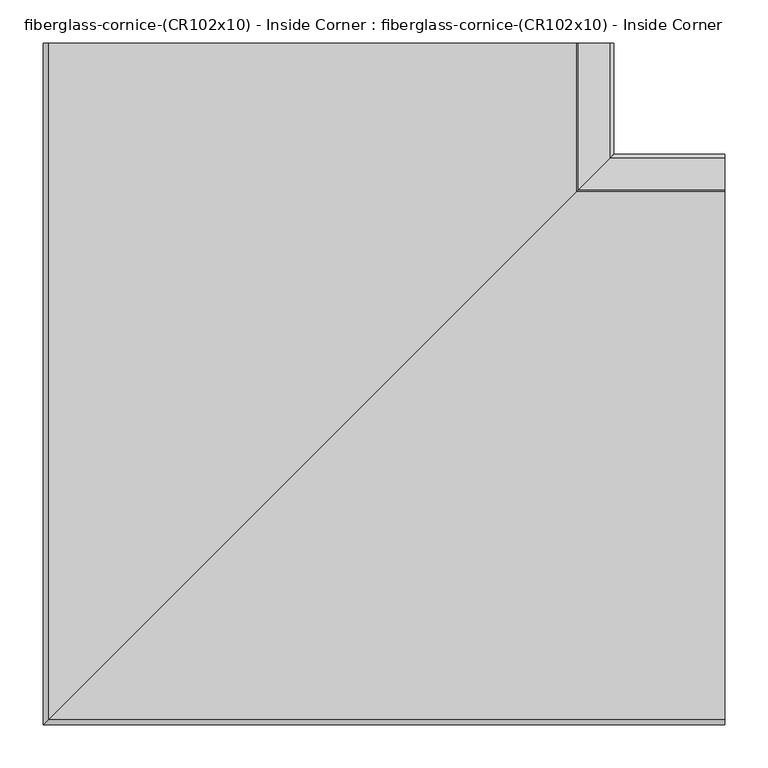
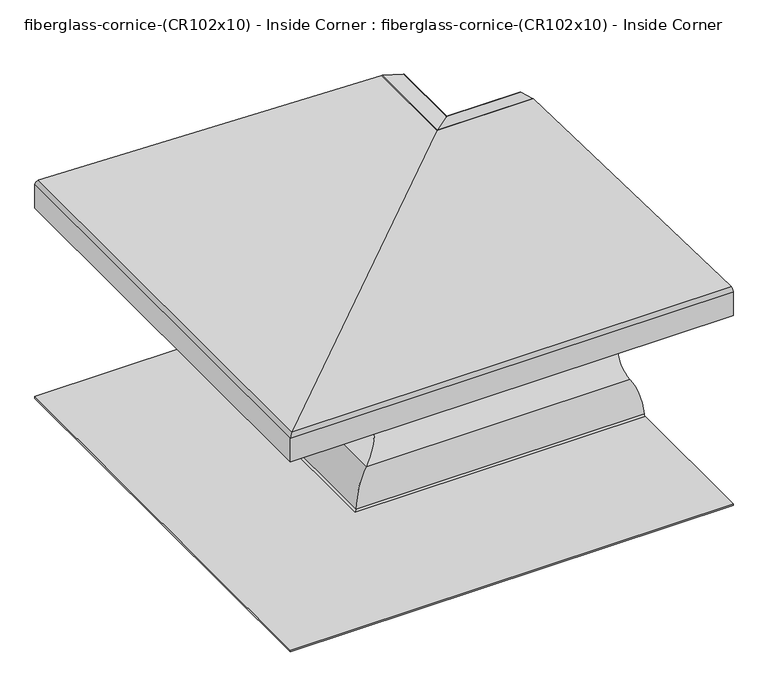
"""IFC4 building model written with IfcOpenShell, lengths in millimetres: furniture geometry, fiberglass-cornice-(CR102x10) - Inside Corner : fiberglass-cornice-(CR102x10) - Inside Corner."""

from ifc_helpers import new_model, si_unit, frame, origin, place, context, project, spatial, polyline, circle_curve, ellipse_curve, source, transform, mapped, element, save
from ifc_brep_helpers import plane_surface, cylinder_surface, revolved_surface, advanced_brep


def fiberglass_cornice_cr102x10_inside_corner_fiberglass_cornice_74b968c4(model_context):
    return source(origin(), model_context, "Body", "AdvancedBrep", [
        advanced_brep(
        [(-387.3504609, 888.603125, 330.1999904), (222.4086621, 888.603125, 313.5475713), (223.9856287, 888.603125, 313.3039444), (261.1174535, 888.603125, 302.6565623), (265.5980708, 888.603125, 295.3584359), (187.5713137, 888.603125, 217.5386974), (183.3264787, 888.603125, 207.9971322), (173.9511639, 888.603125, 183.8308465), (169.3791639, 888.603125, 177.7348465), (169.3791249, 888.603125, 172.2697206), (164.8071639, 888.603125, 166.1959893), (153.0505925, 888.603125, 150.5205608), (153.0505517, 888.603125, 26.2647651), (146.7005925, 888.603125, 19.8919893), (125.8363068, 888.603125, 19.8919895), (119.7403068, 888.603125, 24.4639893), (104.0648782, 888.603125, 36.2205608), (-20.2137134, 888.603125, 36.2205628), (-26.5636346, 888.603125, 29.8432847), (-26.5636346, 888.603125, 9.2312294), (-30.860515, 888.603125, 3.2223246), (-35.0995386, 888.603125, -1.9317744), (-75.5494075, 888.603125, -37.2580107), (-115.9992764, 888.603125, -72.5842469), (-122.2914782, 888.603125, -78.0794392), (-393.6999938, 888.603125, -78.0794391), (-393.6999938, 888.603125, -74.586939), (-122.2914782, 888.603125, -74.586939), (-119.4599874, 888.603125, -72.1141027), (-75.5494075, 888.603125, -33.7655107), (-38.5602496, 888.603125, -1.4616302), (-31.989763, 888.603125, 6.5272232), (-30.0562284, 888.603125, 9.2170513), (-30.0562284, 888.603125, 29.8705596), (-20.2183813, 888.603125, 39.7130597), (104.0582255, 888.603125, 39.7130597), (123.0931068, 888.603125, 25.4418893), (125.8363068, 888.603125, 23.3844893), (146.7006304, 888.603125, 23.3844864), (149.5580771, 888.603125, 26.2326075), (149.5580771, 888.603125, 150.5205679), (163.8292639, 888.603125, 169.5487893), (165.8866503, 888.603125, 172.2831722), (165.8866503, 888.603125, 177.7348417), (172.9732639, 888.603125, 187.1836465), (180.3433031, 888.603125, 206.1810322), (186.9227972, 888.603125, 220.9704583), (262.168045, 888.603125, 296.0160672), (260.1396506, 888.603125, 299.3036814), (222.8684523, 888.603125, 309.9910516), (-387.3305565, 888.603125, 326.7211389), (-390.2074001, 888.603125, 323.8703182), (-390.2074001, 888.603125, 279.4641155), (-393.6997554, 888.603125, 279.4641155), (-393.6997554, 888.603125, 323.8166176), (393.6999938, 107.5526579, 330.1999904), (393.6999938, 101.2033634, 323.8166176), (393.6999938, 101.2033634, 279.4641155), (393.6999938, 104.6957188, 279.4641155), (393.6999938, 104.6957188, 323.8703182), (393.6999938, 107.5725623, 326.7211389), (393.6999938, 717.7715712, 309.9910516), (393.6999938, 755.0427695, 299.3036814), (393.6999938, 757.0711638, 296.0160672), (393.6999938, 681.8259161, 220.9704583), (393.6999938, 675.2464219, 206.1810322), (393.6999938, 667.8763828, 187.1836465), (393.6999938, 660.7897828, 177.7348465), (393.6999938, 660.7897692, 172.2831722), (393.6999938, 658.7323828, 169.5487893), (393.6999938, 644.4612113, 150.5205608), (393.6999938, 644.4611959, 26.2326075), (393.6999938, 641.6037113, 23.3844893), (393.6999938, 620.7393818, 23.3844864), (393.6999938, 617.9962256, 25.4418893), (393.6999938, 598.9613443, 39.7130597), (393.6999938, 474.6847376, 39.7130597), (393.6999938, 464.8469256, 29.8705608), (393.6999938, 464.8468904, 9.2170513), (393.6999938, 462.9133558, 6.5272232), (393.6999938, 456.3428692, -1.4616302), (393.6999938, 419.3537113, -33.7655107), (393.6999938, 375.4431315, -72.1141027), (393.6999938, 372.6116406, -74.5869392), (393.6999938, 101.203125, -74.586939), (393.6999938, 101.203125, -78.0794391), (393.6999938, 372.6116406, -78.0794391), (393.6999938, 378.9038425, -72.5842469), (393.6999938, 419.3537113, -37.2580107), (393.6999938, 459.8035802, -1.9317744), (393.6999938, 464.0426038, 3.2223246), (393.6999938, 468.3394256, 9.2312312), (393.6999938, 468.3394842, 29.8432847), (393.6999938, 474.6894256, 36.2205608), (393.6999938, 598.9679508, 36.2205628), (393.6999938, 614.6434256, 24.4639893), (393.6999938, 620.7394256, 19.8919893), (393.6999938, 641.6037113, 19.8919895), (393.6999938, 647.9536705, 26.2647651), (393.6999938, 647.9536705, 150.5205679), (393.6999938, 659.7102828, 166.1959893), (393.6999938, 664.2822437, 172.2697206), (393.6999938, 664.2822437, 177.7348417), (393.6999938, 668.8542828, 183.8308465), (393.6999938, 678.2295976, 207.9971322), (393.6999938, 682.4744325, 217.5386974), (393.6999938, 760.5011897, 295.3584359), (393.6999938, 756.0205724, 302.6565623), (393.6999938, 718.8888006, 313.3039373), (393.6999938, 717.3118033, 313.547566), (-387.3504609, 107.5526579, 330.1999904), (222.4086621, 717.3117809, 313.5475713), (223.9856287, 718.8887475, 313.3039444), (261.1174535, 756.0205724, 302.6565623), (265.5980708, 760.5011897, 295.3584359), (187.5713137, 682.4744325, 217.5386974), (183.3264787, 678.2295976, 207.9971322), (173.9511639, 668.8542828, 183.8308465), (169.3791639, 664.2822828, 177.7348465), (169.3791249, 664.2822437, 172.2697206), (164.8071639, 659.7102828, 166.1959893), (153.0505925, 647.9537113, 150.5205608), (153.0505517, 647.9536705, 26.2647651), (146.7005925, 641.6037113, 19.8919893), (125.8363068, 620.7394256, 19.8919895), (119.7403068, 614.6434256, 24.4639893), (104.0648782, 598.9679971, 36.2205608), (-20.2136932, 474.6894256, 36.2205628), (-26.5636346, 468.3394842, 29.8432847), (-26.5636346, 468.3394842, 9.2312294), (-30.860515, 464.0426038, 3.2223246), (-35.0995386, 459.8035802, -1.9317744), (-75.5494075, 419.3537113, -37.2580107), (-115.9992764, 378.9038425, -72.5842469), (-122.2914782, 372.6116406, -78.0794392), (-393.6999938, 101.203125, -78.0794391), (-393.6999938, 101.203125, -74.586939), (-122.2914782, 372.6116406, -74.586939), (-119.4599874, 375.4431315, -72.1141027), (-75.5494075, 419.3537113, -33.7655107), (-38.5602496, 456.3428692, -1.4616302), (-31.989763, 462.9133558, 6.5272232), (-30.0562284, 464.8468904, 9.2170513), (-30.0562284, 464.8468904, 29.8705596), (-20.2183813, 474.6847376, 39.7130597), (104.0582255, 598.9613443, 39.7130597), (123.0931068, 617.9962256, 25.4418893), (125.8363068, 620.7394256, 23.3844893), (146.7005925, 641.6037113, 23.3844864), (149.5580771, 644.4611959, 26.2326075), (149.5580771, 644.4611959, 150.5205679), (163.8292639, 658.7323828, 169.5487893), (165.8866503, 660.7897692, 172.2831722), (165.8866503, 660.7897692, 177.7348417), (172.9732639, 667.8763828, 187.1836465), (180.3433031, 675.2464219, 206.1810322), (186.9227972, 681.8259161, 220.9704583), (262.168045, 757.0711638, 296.0160672), (260.1396506, 755.0427695, 299.3036814), (222.8684523, 717.7715712, 309.9910516), (-387.3305565, 107.5725623, 326.7211389), (-390.2074001, 104.6957188, 323.8703182), (-390.2074001, 104.6957188, 279.4641155), (-393.6997554, 101.2033634, 279.4641155), (-393.6997554, 101.2033634, 323.8166176)],
        [
            (0, 1),
            (1, 2, circle_curve(frame((222.2353314, 888.603125, 307.1999327), z_axis=(0.0, 1.0, 0.0), x_axis=(1.0, 0.0, 0.0)), 6.35)),
            (2, 3),
            (3, 4, circle_curve(frame((259.3616602, 888.603125, 296.5541292), z_axis=(0.0, 1.0, 0.0), x_axis=(1.0, 0.0, 0.0)), 6.35)),
            (4, 5, circle_curve(frame((169.3791639, 888.603125, 313.8062751), z_axis=(0.0, 1.0, 0.0), x_axis=(1.0, 0.0, 0.0)), 97.9714286)),
            (5, 6, circle_curve(frame((188.7504345, 888.603125, 211.2991322), z_axis=(0.0, -1.0, 0.0), x_axis=(1.0, 0.0, 0.0)), 6.35)),
            (6, 7, circle_curve(frame((169.3791639, 888.603125, 199.5062751), z_axis=(0.0, 1.0, 0.0), x_axis=(1.0, 0.0, 0.0)), 16.3285714)),
            (7, 8, circle_curve(frame((175.7291639, 888.603125, 177.7348465), z_axis=(0.0, -1.0, 0.0), x_axis=(1.0, 0.0, 0.0)), 6.35)),
            (8, 9),
            (9, 10, circle_curve(frame((163.0291639, 888.603125, 172.2919893), z_axis=(0.0, 1.0, 0.0), x_axis=(1.0, 0.0, 0.0)), 6.35)),
            (10, 11, circle_curve(frame((169.3791639, 888.603125, 150.5205608), z_axis=(0.0, -1.0, 0.0), x_axis=(1.0, 0.0, 0.0)), 16.3285714)),
            (11, 12),
            (12, 13, circle_curve(frame((146.7005925, 888.603125, 26.2419893), z_axis=(0.0, 1.0, 0.0), x_axis=(1.0, 0.0, 0.0)), 6.35)),
            (13, 14),
            (14, 15, circle_curve(frame((125.8363068, 888.603125, 26.2419893), z_axis=(0.0, 1.0, 0.0), x_axis=(1.0, 0.0, 0.0)), 6.35)),
            (15, 16, circle_curve(frame((104.0648782, 888.603125, 19.8919893), z_axis=(0.0, -1.0, 0.0), x_axis=(1.0, 0.0, 0.0)), 16.3285714)),
            (16, 17),
            (17, 18, circle_curve(frame((-20.2136932, 888.603125, 29.8705608), z_axis=(0.0, -1.0, 0.0), x_axis=(1.0, 0.0, 0.0)), 6.35)),
            (18, 19),
            (19, 20, circle_curve(frame((-32.9136932, 888.603125, 9.2312312), z_axis=(0.0, 1.0, 0.0), x_axis=(1.0, 0.0, 0.0)), 6.35)),
            (20, 21, circle_curve(frame((-28.8073368, 888.603125, -2.7865821), z_axis=(0.0, -1.0, 0.0), x_axis=(1.0, 0.0, 0.0)), 6.35)),
            (21, 22, circle_curve(frame((-75.5494075, 888.603125, 3.5634179), z_axis=(0.0, 1.0, 0.0), x_axis=(1.0, 0.0, 0.0)), 40.8214286)),
            (22, 23, circle_curve(frame((-75.5494075, 888.603125, -78.0794392), z_axis=(0.0, -1.0, 0.0), x_axis=(1.0, 0.0, 0.0)), 40.8214286)),
            (23, 24, circle_curve(frame((-122.2914782, 888.603125, -71.7294392), z_axis=(0.0, 1.0, 0.0), x_axis=(1.0, 0.0, 0.0)), 6.35)),
            (24, 25),
            (25, 26),
            (26, 27),
            (27, 28, circle_curve(frame((-122.2914782, 888.603125, -71.7294392), z_axis=(0.0, -1.0, 0.0), x_axis=(1.0, 0.0, 0.0)), 2.8575)),
            (28, 29, circle_curve(frame((-75.5494075, 888.603125, -78.0794392), z_axis=(0.0, 1.0, 0.0), x_axis=(1.0, 0.0, 0.0)), 44.3139286)),
            (29, 30, circle_curve(frame((-75.5494075, 888.603125, 3.5634179), z_axis=(0.0, -1.0, 0.0), x_axis=(1.0, 0.0, 0.0)), 37.3289286)),
            (30, 31, circle_curve(frame((-28.8073368, 888.603125, -2.7865821), z_axis=(0.0, 1.0, 0.0), x_axis=(1.0, 0.0, 0.0)), 9.8425)),
            (31, 32, circle_curve(frame((-32.9136932, 888.603125, 9.2312312), z_axis=(0.0, -1.0, 0.0), x_axis=(1.0, 0.0, 0.0)), 2.8575)),
            (32, 33),
            (33, 34, circle_curve(frame((-20.2136932, 888.603125, 29.8705608), z_axis=(0.0, 1.0, 0.0), x_axis=(1.0, 0.0, 0.0)), 9.8425)),
            (34, 35),
            (35, 36, circle_curve(frame((104.0648782, 888.603125, 19.8919893), z_axis=(0.0, 1.0, 0.0), x_axis=(1.0, 0.0, 0.0)), 19.8210714)),
            (36, 37, circle_curve(frame((125.8363068, 888.603125, 26.2419893), z_axis=(0.0, -1.0, 0.0), x_axis=(1.0, 0.0, 0.0)), 2.8575)),
            (37, 38),
            (38, 39, circle_curve(frame((146.7005925, 888.603125, 26.2419893), z_axis=(0.0, -1.0, 0.0), x_axis=(1.0, 0.0, 0.0)), 2.8575)),
            (39, 40),
            (40, 41, circle_curve(frame((169.3791639, 888.603125, 150.5205608), z_axis=(0.0, 1.0, 0.0), x_axis=(1.0, 0.0, 0.0)), 19.8210714)),
            (41, 42, circle_curve(frame((163.0291639, 888.603125, 172.2919893), z_axis=(0.0, -1.0, 0.0), x_axis=(1.0, 0.0, 0.0)), 2.8575)),
            (42, 43),
            (43, 44, circle_curve(frame((175.7291639, 888.603125, 177.7348465), z_axis=(0.0, 1.0, 0.0), x_axis=(1.0, 0.0, 0.0)), 9.8425)),
            (44, 45, circle_curve(frame((169.3791639, 888.603125, 199.5062751), z_axis=(0.0, -1.0, 0.0), x_axis=(1.0, 0.0, 0.0)), 12.8360714)),
            (45, 46, circle_curve(frame((188.7504345, 888.603125, 211.2991322), z_axis=(0.0, 1.0, 0.0), x_axis=(1.0, 0.0, 0.0)), 9.8425)),
            (46, 47, circle_curve(frame((169.3791639, 888.603125, 313.8062751), z_axis=(0.0, -1.0, 0.0), x_axis=(1.0, 0.0, 0.0)), 94.4789286)),
            (47, 48, circle_curve(frame((259.3616602, 888.603125, 296.5541292), z_axis=(0.0, -1.0, 0.0), x_axis=(1.0, 0.0, 0.0)), 2.8575)),
            (48, 49),
            (49, 50),
            (50, 51, circle_curve(frame((-387.3499077, 888.603125, 323.8637045), z_axis=(0.0, -1.0, 0.0), x_axis=(1.0, 0.0, 0.0)), 2.8575)),
            (51, 52),
            (52, 53),
            (53, 54),
            (54, 0, circle_curve(frame((-387.3498431, 888.603125, 323.8499905), z_axis=(0.0, 1.0, 0.0), x_axis=(1.0, 0.0, 0.0)), 6.35)),
            (55, 56, circle_curve(frame((393.6999938, 107.5532757, 323.8499905), z_axis=(1.0, 0.0, 0.0), x_axis=(0.0, 1.0, 0.0)), 6.35)),
            (56, 57),
            (57, 58),
            (58, 59),
            (59, 60, circle_curve(frame((393.6999938, 107.5532111, 323.8637045), z_axis=(-1.0, 0.0, 0.0), x_axis=(0.0, 1.0, 0.0)), 2.8575)),
            (60, 61),
            (61, 62),
            (62, 63, circle_curve(frame((393.6999938, 754.2647791, 296.5541292), z_axis=(-1.0, 0.0, 0.0), x_axis=(0.0, 1.0, 0.0)), 2.8575)),
            (63, 64, circle_curve(frame((393.6999938, 664.2822828, 313.8062751), z_axis=(-1.0, 0.0, 0.0), x_axis=(0.0, 1.0, 0.0)), 94.4789286)),
            (64, 65, circle_curve(frame((393.6999938, 683.6535533, 211.2991322), z_axis=(1.0, 0.0, 0.0), x_axis=(0.0, 1.0, 0.0)), 9.8425)),
            (65, 66, circle_curve(frame((393.6999938, 664.2822828, 199.5062751), z_axis=(-1.0, 0.0, 0.0), x_axis=(0.0, 1.0, 0.0)), 12.8360714)),
            (66, 67, circle_curve(frame((393.6999938, 670.6322828, 177.7348465), z_axis=(1.0, 0.0, 0.0), x_axis=(0.0, 1.0, 0.0)), 9.8425)),
            (67, 68),
            (68, 69, circle_curve(frame((393.6999938, 657.9322828, 172.2919893), z_axis=(-1.0, 0.0, 0.0), x_axis=(0.0, 1.0, 0.0)), 2.8575)),
            (69, 70, circle_curve(frame((393.6999938, 664.2822828, 150.5205608), z_axis=(1.0, 0.0, 0.0), x_axis=(0.0, 1.0, 0.0)), 19.8210714)),
            (70, 71),
            (71, 72, circle_curve(frame((393.6999938, 641.6037113, 26.2419893), z_axis=(-1.0, 0.0, 0.0), x_axis=(0.0, 1.0, 0.0)), 2.8575)),
            (72, 73),
            (73, 74, circle_curve(frame((393.6999938, 620.7394256, 26.2419893), z_axis=(-1.0, 0.0, 0.0), x_axis=(0.0, 1.0, 0.0)), 2.8575)),
            (74, 75, circle_curve(frame((393.6999938, 598.9679971, 19.8919893), z_axis=(1.0, 0.0, 0.0), x_axis=(0.0, 1.0, 0.0)), 19.8210714)),
            (75, 76),
            (76, 77, circle_curve(frame((393.6999938, 474.6894256, 29.8705608), z_axis=(1.0, 0.0, 0.0), x_axis=(0.0, 1.0, 0.0)), 9.8425)),
            (77, 78),
            (78, 79, circle_curve(frame((393.6999938, 461.9894256, 9.2312312), z_axis=(-1.0, 0.0, 0.0), x_axis=(0.0, 1.0, 0.0)), 2.8575)),
            (79, 80, circle_curve(frame((393.6999938, 466.095782, -2.7865821), z_axis=(1.0, 0.0, 0.0), x_axis=(0.0, 1.0, 0.0)), 9.8425)),
            (80, 81, circle_curve(frame((393.6999938, 419.3537113, 3.5634179), z_axis=(-1.0, 0.0, 0.0), x_axis=(0.0, 1.0, 0.0)), 37.3289286)),
            (81, 82, circle_curve(frame((393.6999938, 419.3537113, -78.0794392), z_axis=(1.0, 0.0, 0.0), x_axis=(0.0, 1.0, 0.0)), 44.3139286)),
            (82, 83, circle_curve(frame((393.6999938, 372.6116406, -71.7294392), z_axis=(-1.0, 0.0, 0.0), x_axis=(0.0, 1.0, 0.0)), 2.8575)),
            (83, 84),
            (84, 85),
            (85, 86),
            (86, 87, circle_curve(frame((393.6999938, 372.6116406, -71.7294392), z_axis=(1.0, 0.0, 0.0), x_axis=(0.0, 1.0, 0.0)), 6.35)),
            (87, 88, circle_curve(frame((393.6999938, 419.3537113, -78.0794392), z_axis=(-1.0, 0.0, 0.0), x_axis=(0.0, 1.0, 0.0)), 40.8214286)),
            (88, 89, circle_curve(frame((393.6999938, 419.3537113, 3.5634179), z_axis=(1.0, 0.0, 0.0), x_axis=(0.0, 1.0, 0.0)), 40.8214286)),
            (89, 90, circle_curve(frame((393.6999938, 466.095782, -2.7865821), z_axis=(-1.0, 0.0, 0.0), x_axis=(0.0, 1.0, 0.0)), 6.35)),
            (90, 91, circle_curve(frame((393.6999938, 461.9894256, 9.2312312), z_axis=(1.0, 0.0, 0.0), x_axis=(0.0, 1.0, 0.0)), 6.35)),
            (91, 92),
            (92, 93, circle_curve(frame((393.6999938, 474.6894256, 29.8705608), z_axis=(-1.0, 0.0, 0.0), x_axis=(0.0, 1.0, 0.0)), 6.35)),
            (93, 94),
            (94, 95, circle_curve(frame((393.6999938, 598.9679971, 19.8919893), z_axis=(-1.0, 0.0, 0.0), x_axis=(0.0, 1.0, 0.0)), 16.3285714)),
            (95, 96, circle_curve(frame((393.6999938, 620.7394256, 26.2419893), z_axis=(1.0, 0.0, 0.0), x_axis=(0.0, 1.0, 0.0)), 6.35)),
            (96, 97),
            (97, 98, circle_curve(frame((393.6999938, 641.6037113, 26.2419893), z_axis=(1.0, 0.0, 0.0), x_axis=(0.0, 1.0, 0.0)), 6.35)),
            (98, 99),
            (99, 100, circle_curve(frame((393.6999938, 664.2822828, 150.5205608), z_axis=(-1.0, 0.0, 0.0), x_axis=(0.0, 1.0, 0.0)), 16.3285714)),
            (100, 101, circle_curve(frame((393.6999938, 657.9322828, 172.2919893), z_axis=(1.0, 0.0, 0.0), x_axis=(0.0, 1.0, 0.0)), 6.35)),
            (101, 102),
            (102, 103, circle_curve(frame((393.6999938, 670.6322828, 177.7348465), z_axis=(-1.0, 0.0, 0.0), x_axis=(0.0, 1.0, 0.0)), 6.35)),
            (103, 104, circle_curve(frame((393.6999938, 664.2822828, 199.5062751), z_axis=(1.0, 0.0, 0.0), x_axis=(0.0, 1.0, 0.0)), 16.3285714)),
            (104, 105, circle_curve(frame((393.6999938, 683.6535533, 211.2991322), z_axis=(-1.0, 0.0, 0.0), x_axis=(0.0, 1.0, 0.0)), 6.35)),
            (105, 106, circle_curve(frame((393.6999938, 664.2822828, 313.8062751), z_axis=(1.0, 0.0, 0.0), x_axis=(0.0, 1.0, 0.0)), 97.9714286)),
            (106, 107, circle_curve(frame((393.6999938, 754.2647791, 296.5541292), z_axis=(1.0, 0.0, 0.0), x_axis=(0.0, 1.0, 0.0)), 6.35)),
            (107, 108),
            (108, 109, circle_curve(frame((393.6999938, 717.1384503, 307.1999327), z_axis=(1.0, 0.0, 0.0), x_axis=(0.0, 1.0, 0.0)), 6.35)),
            (109, 55),
            (0, 110),
            (110, 111),
            (111, 1),
            (111, 112, ellipse_curve(frame((222.2353314, 717.1384503, 307.1999327), z_axis=(-0.7071067811865475, 0.7071067811865475, 0.0), x_axis=(0.7071067811865474, 0.7071067811865476, 0.0)), 8.9802561, 6.35)),
            (112, 2),
            (112, 113),
            (113, 3),
            (113, 114, ellipse_curve(frame((259.3616602, 754.2647791, 296.5541292), z_axis=(-0.7071067811865475, 0.7071067811865475, 0.0), x_axis=(0.7071067811865474, 0.7071067811865476, 0.0)), 8.9802561, 6.35)),
            (114, 4),
            (114, 115, ellipse_curve(frame((169.3791639, 664.2822828, 313.8062751), z_axis=(-0.7071067811865475, 0.7071067811865475, 0.0), x_axis=(0.7071067811865474, 0.7071067811865476, 0.0)), 138.552523, 97.9714286)),
            (115, 5),
            (115, 116, ellipse_curve(frame((188.7504345, 683.6535533, 211.2991322), z_axis=(0.7071067811865475, -0.7071067811865475, 0.0), x_axis=(-0.7071067811865474, -0.7071067811865476, 0.0)), 8.9802561, 6.35)),
            (116, 6),
            (116, 117, ellipse_curve(frame((169.3791639, 664.2822828, 199.5062751), z_axis=(-0.7071067811865475, 0.7071067811865475, 0.0), x_axis=(0.7071067811865474, 0.7071067811865476, 0.0)), 23.0920872, 16.3285714)),
            (117, 7),
            (117, 118, ellipse_curve(frame((175.7291639, 670.6322828, 177.7348465), z_axis=(0.7071067811865475, -0.7071067811865475, 0.0), x_axis=(-0.7071067811865474, -0.7071067811865476, 0.0)), 8.9802561, 6.35)),
            (118, 8),
            (118, 119),
            (119, 9),
            (119, 120, ellipse_curve(frame((163.0291639, 657.9322828, 172.2919893), z_axis=(-0.7071067811865475, 0.7071067811865475, 0.0), x_axis=(0.7071067811865474, 0.7071067811865476, 0.0)), 8.9802561, 6.35)),
            (120, 10),
            (120, 121, ellipse_curve(frame((169.3791639, 664.2822828, 150.5205608), z_axis=(0.7071067811865475, -0.7071067811865475, 0.0), x_axis=(-0.7071067811865474, -0.7071067811865476, 0.0)), 23.0920872, 16.3285714)),
            (121, 11),
            (121, 122),
            (122, 12),
            (122, 123, ellipse_curve(frame((146.7005925, 641.6037113, 26.2419893), z_axis=(-0.7071067811865475, 0.7071067811865475, 0.0), x_axis=(0.7071067811865474, 0.7071067811865476, 0.0)), 8.9802561, 6.35)),
            (123, 13),
            (123, 97),
            (96, 124),
            (124, 14),
            (124, 125, ellipse_curve(frame((125.8363068, 620.7394256, 26.2419893), z_axis=(-0.7071067811865475, 0.7071067811865475, 0.0), x_axis=(0.7071067811865474, 0.7071067811865476, 0.0)), 8.9802561, 6.35)),
            (125, 15),
            (125, 126, ellipse_curve(frame((104.0648782, 598.9679971, 19.8919893), z_axis=(0.7071067811865475, -0.7071067811865475, 0.0), x_axis=(-0.7071067811865474, -0.7071067811865476, 0.0)), 23.0920872, 16.3285714)),
            (126, 16),
            (126, 94),
            (93, 127),
            (127, 17),
            (127, 128, ellipse_curve(frame((-20.2136932, 474.6894256, 29.8705608), z_axis=(0.7071067811865475, -0.7071067811865475, 0.0), x_axis=(-0.7071067811865474, -0.7071067811865476, 0.0)), 8.9802561, 6.35)),
            (128, 18),
            (128, 129),
            (129, 19),
            (129, 130, ellipse_curve(frame((-32.9136932, 461.9894256, 9.2312312), z_axis=(-0.7071067811865475, 0.7071067811865475, 0.0), x_axis=(0.7071067811865474, 0.7071067811865476, 0.0)), 8.9802561, 6.35)),
            (130, 20),
            (130, 131, ellipse_curve(frame((-28.8073368, 466.095782, -2.7865821), z_axis=(0.7071067811865475, -0.7071067811865475, 0.0), x_axis=(-0.7071067811865474, -0.7071067811865476, 0.0)), 8.9802561, 6.35)),
            (131, 21),
            (131, 132, ellipse_curve(frame((-75.5494075, 419.3537113, 3.5634179), z_axis=(-0.7071067811865475, 0.7071067811865475, 0.0), x_axis=(0.7071067811865474, 0.7071067811865476, 0.0)), 57.7302179, 40.8214286)),
            (132, 22),
            (132, 133, ellipse_curve(frame((-75.5494075, 419.3537113, -78.0794392), z_axis=(0.7071067811865475, -0.7071067811865475, 0.0), x_axis=(-0.7071067811865474, -0.7071067811865476, 0.0)), 57.7302179, 40.8214286)),
            (133, 23),
            (133, 134, ellipse_curve(frame((-122.2914782, 372.6116406, -71.7294392), z_axis=(-0.7071067811865475, 0.7071067811865475, 0.0), x_axis=(0.7071067811865474, 0.7071067811865476, 0.0)), 8.9802561, 6.35)),
            (134, 24),
            (134, 86),
            (85, 135),
            (135, 25),
            (135, 136),
            (136, 26),
            (136, 84),
            (83, 137),
            (137, 27),
            (137, 138, ellipse_curve(frame((-122.2914782, 372.6116406, -71.7294392), z_axis=(0.7071067811865475, -0.7071067811865475, 0.0), x_axis=(-0.7071067811865474, -0.7071067811865476, 0.0)), 4.0411153, 2.8575)),
            (138, 28),
            (138, 139, ellipse_curve(frame((-75.5494075, 419.3537113, -78.0794392), z_axis=(-0.7071067811865475, 0.7071067811865475, 0.0), x_axis=(0.7071067811865474, 0.7071067811865476, 0.0)), 62.6693588, 44.3139286)),
            (139, 29),
            (139, 140, ellipse_curve(frame((-75.5494075, 419.3537113, 3.5634179), z_axis=(0.7071067811865475, -0.7071067811865475, 0.0), x_axis=(-0.7071067811865474, -0.7071067811865476, 0.0)), 52.7910771, 37.3289286)),
            (140, 30),
            (140, 141, ellipse_curve(frame((-28.8073368, 466.095782, -2.7865821), z_axis=(-0.7071067811865475, 0.7071067811865475, 0.0), x_axis=(0.7071067811865474, 0.7071067811865476, 0.0)), 13.919397, 9.8425)),
            (141, 31),
            (141, 142, ellipse_curve(frame((-32.9136932, 461.9894256, 9.2312312), z_axis=(0.7071067811865475, -0.7071067811865475, 0.0), x_axis=(-0.7071067811865474, -0.7071067811865476, 0.0)), 4.0411153, 2.8575)),
            (142, 32),
            (142, 143),
            (143, 33),
            (143, 144, ellipse_curve(frame((-20.2136932, 474.6894256, 29.8705608), z_axis=(-0.7071067811865475, 0.7071067811865475, 0.0), x_axis=(0.7071067811865474, 0.7071067811865476, 0.0)), 13.919397, 9.8425)),
            (144, 34),
            (144, 76),
            (75, 145),
            (145, 35),
            (145, 146, ellipse_curve(frame((104.0648782, 598.9679971, 19.8919893), z_axis=(-0.7071067811865475, 0.7071067811865475, 0.0), x_axis=(0.7071067811865474, 0.7071067811865476, 0.0)), 28.031228, 19.8210714)),
            (146, 36),
            (146, 147, ellipse_curve(frame((125.8363068, 620.7394256, 26.2419893), z_axis=(0.7071067811865475, -0.7071067811865475, 0.0), x_axis=(-0.7071067811865474, -0.7071067811865476, 0.0)), 4.0411153, 2.8575)),
            (147, 37),
            (147, 73),
            (72, 148),
            (148, 38),
            (148, 149, ellipse_curve(frame((146.7005925, 641.6037113, 26.2419893), z_axis=(0.7071067811865475, -0.7071067811865475, 0.0), x_axis=(-0.7071067811865474, -0.7071067811865476, 0.0)), 4.0411153, 2.8575)),
            (149, 39),
            (149, 150),
            (150, 40),
            (150, 151, ellipse_curve(frame((169.3791639, 664.2822828, 150.5205608), z_axis=(-0.7071067811865475, 0.7071067811865475, 0.0), x_axis=(0.7071067811865474, 0.7071067811865476, 0.0)), 28.031228, 19.8210714)),
            (151, 41),
            (151, 152, ellipse_curve(frame((163.0291639, 657.9322828, 172.2919893), z_axis=(0.7071067811865475, -0.7071067811865475, 0.0), x_axis=(-0.7071067811865474, -0.7071067811865476, 0.0)), 4.0411153, 2.8575)),
            (152, 42),
            (152, 153),
            (153, 43),
            (153, 154, ellipse_curve(frame((175.7291639, 670.6322828, 177.7348465), z_axis=(-0.7071067811865475, 0.7071067811865475, 0.0), x_axis=(0.7071067811865474, 0.7071067811865476, 0.0)), 13.919397, 9.8425)),
            (154, 44),
            (154, 155, ellipse_curve(frame((169.3791639, 664.2822828, 199.5062751), z_axis=(0.7071067811865475, -0.7071067811865475, 0.0), x_axis=(-0.7071067811865474, -0.7071067811865476, 0.0)), 18.1529463, 12.8360714)),
            (155, 45),
            (155, 156, ellipse_curve(frame((188.7504345, 683.6535533, 211.2991322), z_axis=(-0.7071067811865475, 0.7071067811865475, 0.0), x_axis=(0.7071067811865474, 0.7071067811865476, 0.0)), 13.919397, 9.8425)),
            (156, 46),
            (156, 157, ellipse_curve(frame((169.3791639, 664.2822828, 313.8062751), z_axis=(0.7071067811865475, -0.7071067811865475, 0.0), x_axis=(-0.7071067811865474, -0.7071067811865476, 0.0)), 133.6133821, 94.4789286)),
            (157, 47),
            (157, 158, ellipse_curve(frame((259.3616602, 754.2647791, 296.5541292), z_axis=(0.7071067811865475, -0.7071067811865475, 0.0), x_axis=(-0.7071067811865474, -0.7071067811865476, 0.0)), 4.0411153, 2.8575)),
            (158, 48),
            (158, 159),
            (159, 49),
            (159, 160),
            (160, 50),
            (160, 161, ellipse_curve(frame((-387.3499077, 107.5532111, 323.8637045), z_axis=(0.7071067811865475, -0.7071067811865475, 0.0), x_axis=(-0.7071067811865474, -0.7071067811865476, 0.0)), 4.0411153, 2.8575)),
            (161, 51),
            (161, 162),
            (162, 52),
            (162, 58),
            (57, 163),
            (163, 53),
            (163, 164),
            (164, 54),
            (164, 110, ellipse_curve(frame((-387.3498431, 107.5532757, 323.8499905), z_axis=(-0.7071067811865475, 0.7071067811865475, 0.0), x_axis=(0.7071067811865474, 0.7071067811865476, 0.0)), 8.9802561, 6.35)),
            (110, 55),
            (109, 111),
            (108, 112),
            (107, 113),
            (106, 114),
            (105, 115),
            (104, 116),
            (103, 117),
            (102, 118),
            (101, 119),
            (100, 120),
            (99, 121),
            (98, 122),
            (95, 125),
            (92, 128),
            (91, 129),
            (90, 130),
            (89, 131),
            (88, 132),
            (87, 133),
            (82, 138),
            (81, 139),
            (80, 140),
            (79, 141),
            (78, 142),
            (77, 143),
            (74, 146),
            (71, 149),
            (70, 150),
            (69, 151),
            (68, 152),
            (67, 153),
            (66, 154),
            (65, 155),
            (64, 156),
            (63, 157),
            (62, 158),
            (61, 159),
            (60, 160),
            (59, 161),
            (56, 164),
        ],
        [
            plane_surface(frame((-393.6999938, 888.603125, 330.1999904), z_axis=(0.0, 1.0, 0.0), x_axis=(0.0, 0.0, 1.0))),
            plane_surface(frame((393.6999938, 101.203125, 330.1999904), z_axis=(1.0, 0.0, 0.0), x_axis=(0.0, 0.0, 1.0))),
            plane_surface(frame((-387.3504609, 888.603125, 330.1999904), z_axis=(0.027299653345547643, 0.0, 0.9996272950091013), x_axis=(0.0, -1.0, 0.0))),
            cylinder_surface(frame((222.2353314, 888.603125, 307.1999327), z_axis=(0.0, 1.0, 0.0), x_axis=(1.0, 0.0, 0.0)), 6.35),
            plane_surface(frame((223.9856818, 888.603125, 313.3039373), z_axis=(0.2756376140679433, 0.0, 0.9612616218860148), x_axis=(0.0, -1.0, 0.0))),
            cylinder_surface(frame((259.3616602, 888.603125, 296.5541292), z_axis=(0.0, 1.0, 0.0), x_axis=(1.0, 0.0, 0.0)), 6.35),
            cylinder_surface(frame((169.3791639, 888.603125, 313.8062751), z_axis=(0.0, 1.0, 0.0), x_axis=(1.0, 0.0, 0.0)), 97.9714286),
            revolved_surface(polyline([(195.1004345, 677.3035533148982, 211.2991322), (195.1004345, 888.603125, 211.2991322)]), (188.7504345, 888.603125, 211.2991322), (0.0, -1.0, 0.0)),
            cylinder_surface(frame((169.3791639, 888.603125, 199.5062751), z_axis=(0.0, 1.0, 0.0), x_axis=(1.0, 0.0, 0.0)), 16.3285714),
            revolved_surface(polyline([(182.0791639, 664.2822828, 177.7348465), (182.0791639, 888.603125, 177.7348465)]), (175.7291639, 888.603125, 177.7348465), (0.0, -1.0, 0.0)),
            plane_surface(frame((169.3791249, 888.603125, 177.7348417), z_axis=(1.0, 0.0, 0.0), x_axis=(0.0, -1.0, 0.0))),
            cylinder_surface(frame((163.0291639, 888.603125, 172.2919893), z_axis=(0.0, 1.0, 0.0), x_axis=(1.0, 0.0, 0.0)), 6.35),
            revolved_surface(polyline([(185.70773530000002, 647.9537113, 150.5205608), (185.70773530000002, 888.603125, 150.5205608)]), (169.3791639, 888.603125, 150.5205608), (0.0, -1.0, 0.0)),
            plane_surface(frame((153.0505517, 888.603125, 150.5205679), z_axis=(1.0, 0.0, 0.0), x_axis=(0.0, -1.0, 0.0))),
            cylinder_surface(frame((146.7005925, 888.603125, 26.2419893), z_axis=(0.0, 1.0, 0.0), x_axis=(1.0, 0.0, 0.0)), 6.35),
            plane_surface(frame((146.7005925, 888.603125, 19.8919895), z_axis=(0.0, 0.0, -1.0), x_axis=(0.0, -1.0, 0.0))),
            cylinder_surface(frame((125.8363068, 888.603125, 26.2419893), z_axis=(0.0, 1.0, 0.0), x_axis=(1.0, 0.0, 0.0)), 6.35),
            revolved_surface(polyline([(120.3934496, 582.639425649129, 19.8919893), (120.3934496, 888.603125, 19.8919893)]), (104.0648782, 888.603125, 19.8919893), (0.0, -1.0, 0.0)),
            plane_surface(frame((104.064832, 888.603125, 36.2205628), z_axis=(0.0, 0.0, -1.0), x_axis=(0.0, -1.0, 0.0))),
            revolved_surface(polyline([(-13.863693200000002, 468.3394256148981, 29.8705608), (-13.863693200000002, 888.603125, 29.8705608)]), (-20.2136932, 888.603125, 29.8705608), (0.0, -1.0, 0.0)),
            plane_surface(frame((-26.5636346, 888.603125, 29.8432847), z_axis=(1.0, 0.0, 0.0), x_axis=(0.0, -1.0, 0.0))),
            cylinder_surface(frame((-32.9136932, 888.603125, 9.2312312), z_axis=(0.0, 1.0, 0.0), x_axis=(1.0, 0.0, 0.0)), 6.35),
            revolved_surface(polyline([(-22.4573368, 459.7457820148981, -2.7865821), (-22.4573368, 888.603125, -2.7865821)]), (-28.8073368, 888.603125, -2.7865821), (0.0, -1.0, 0.0)),
            cylinder_surface(frame((-75.5494075, 888.603125, 3.5634179), z_axis=(0.0, 1.0, 0.0), x_axis=(1.0, 0.0, 0.0)), 40.8214286),
            revolved_surface(polyline([(-34.727978900000004, 378.53228274353296, -78.0794392), (-34.727978900000004, 888.603125, -78.0794392)]), (-75.5494075, 888.603125, -78.0794392), (0.0, -1.0, 0.0)),
            cylinder_surface(frame((-122.2914782, 888.603125, -71.7294392), z_axis=(0.0, 1.0, 0.0), x_axis=(1.0, 0.0, 0.0)), 6.35),
            plane_surface(frame((-122.2914782, 888.603125, -78.0794391), z_axis=(0.0, 0.0, -1.0), x_axis=(0.0, -1.0, 0.0))),
            plane_surface(frame((-393.6999938, 888.603125, -78.0794391), z_axis=(-1.0, 0.0, 0.0), x_axis=(0.0, -1.0, 0.0))),
            plane_surface(frame((-393.6999938, 888.603125, -74.586939), z_axis=(0.0, 0.0, 1.0), x_axis=(0.0, -1.0, 0.0))),
            revolved_surface(polyline([(-119.4339782, 369.75414056781324, -71.7294392), (-119.4339782, 888.603125, -71.7294392)]), (-122.2914782, 888.603125, -71.7294392), (0.0, -1.0, 0.0)),
            cylinder_surface(frame((-75.5494075, 888.603125, -78.0794392), z_axis=(0.0, 1.0, 0.0), x_axis=(1.0, 0.0, 0.0)), 44.3139286),
            revolved_surface(polyline([(-38.2204789, 382.02478269644814, 3.5634179), (-38.2204789, 888.603125, 3.5634179)]), (-75.5494075, 888.603125, 3.5634179), (0.0, -1.0, 0.0)),
            cylinder_surface(frame((-28.8073368, 888.603125, -2.7865821), z_axis=(0.0, 1.0, 0.0), x_axis=(1.0, 0.0, 0.0)), 9.8425),
            revolved_surface(polyline([(-30.056193199999996, 459.1319255678133, 9.2312312), (-30.056193199999996, 888.603125, 9.2312312)]), (-32.9136932, 888.603125, 9.2312312), (0.0, -1.0, 0.0)),
            plane_surface(frame((-30.0562284, 888.603125, 9.2170513), z_axis=(-1.0, 0.0, 0.0), x_axis=(0.0, -1.0, 0.0))),
            cylinder_surface(frame((-20.2136932, 888.603125, 29.8705608), z_axis=(0.0, 1.0, 0.0), x_axis=(1.0, 0.0, 0.0)), 9.8425),
            plane_surface(frame((-20.2183813, 888.603125, 39.7130597), z_axis=(0.0, 0.0, 1.0), x_axis=(0.0, -1.0, 0.0))),
            cylinder_surface(frame((104.0648782, 888.603125, 19.8919893), z_axis=(0.0, 1.0, 0.0), x_axis=(1.0, 0.0, 0.0)), 19.8210714),
            revolved_surface(polyline([(128.6938068, 617.8819255678134, 26.2419893), (128.6938068, 888.603125, 26.2419893)]), (125.8363068, 888.603125, 26.2419893), (0.0, -1.0, 0.0)),
            plane_surface(frame((125.8362629, 888.603125, 23.3844864), z_axis=(0.0, 0.0, 1.0), x_axis=(0.0, -1.0, 0.0))),
            revolved_surface(polyline([(149.5580925, 638.7462112678132, 26.2419893), (149.5580925, 888.603125, 26.2419893)]), (146.7005925, 888.603125, 26.2419893), (0.0, -1.0, 0.0)),
            plane_surface(frame((149.5580771, 888.603125, 26.2326075), z_axis=(-1.0, 0.0, 0.0), x_axis=(0.0, -1.0, 0.0))),
            cylinder_surface(frame((169.3791639, 888.603125, 150.5205608), z_axis=(0.0, 1.0, 0.0), x_axis=(1.0, 0.0, 0.0)), 19.8210714),
            revolved_surface(polyline([(165.88666389999997, 655.0747827678133, 172.2919893), (165.88666389999997, 888.603125, 172.2919893)]), (163.0291639, 888.603125, 172.2919893), (0.0, -1.0, 0.0)),
            plane_surface(frame((165.8866503, 888.603125, 172.2831722), z_axis=(-1.0, 0.0, 0.0), x_axis=(0.0, -1.0, 0.0))),
            cylinder_surface(frame((175.7291639, 888.603125, 177.7348465), z_axis=(0.0, 1.0, 0.0), x_axis=(1.0, 0.0, 0.0)), 9.8425),
            revolved_surface(polyline([(182.21523530000002, 651.4462113727548, 199.5062751), (182.21523530000002, 888.603125, 199.5062751)]), (169.3791639, 888.603125, 199.5062751), (0.0, -1.0, 0.0)),
            cylinder_surface(frame((188.7504345, 888.603125, 211.2991322), z_axis=(0.0, 1.0, 0.0), x_axis=(1.0, 0.0, 0.0)), 9.8425),
            revolved_surface(polyline([(263.8580925, 569.8033542598207, 313.8062751), (263.8580925, 888.603125, 313.8062751)]), (169.3791639, 888.603125, 313.8062751), (0.0, -1.0, 0.0)),
            revolved_surface(polyline([(262.21916020000003, 751.4072790678133, 296.5541292), (262.21916020000003, 888.603125, 296.5541292)]), (259.3616602, 888.603125, 296.5541292), (0.0, -1.0, 0.0)),
            plane_surface(frame((260.1396506, 888.603125, 299.3036814), z_axis=(-0.27563797648732297, 0.0, -0.9612615179637506), x_axis=(0.0, -1.0, 0.0))),
            plane_surface(frame((222.8684523, 888.603125, 309.9910516), z_axis=(-0.027407128762182806, 0.0, -0.9996243540915823), x_axis=(0.0, -1.0, 0.0))),
            revolved_surface(polyline([(-384.4924077, 104.69571106781325, 323.8637045), (-384.4924077, 888.603125, 323.8637045)]), (-387.3499077, 888.603125, 323.8637045), (0.0, -1.0, 0.0)),
            plane_surface(frame((-390.2074001, 888.603125, 323.8703182), z_axis=(1.0, 0.0, 0.0), x_axis=(0.0, -1.0, 0.0))),
            plane_surface(frame((-390.2074001, 888.603125, 279.4641155), z_axis=(0.0, 0.0, -1.0), x_axis=(0.0, -1.0, 0.0))),
            plane_surface(frame((-393.6997554, 888.603125, 279.4641155), z_axis=(-1.0, 0.0, 0.0), x_axis=(0.0, -1.0, 0.0))),
            cylinder_surface(frame((-387.3498431, 888.603125, 323.8499905), z_axis=(0.0, 1.0, 0.0), x_axis=(1.0, 0.0, 0.0)), 6.35),
            plane_surface(frame((-387.3504609, 107.5526579, 330.1999904), z_axis=(0.0, 0.027299653345547643, 0.9996272950091013), x_axis=(1.0, 0.0, 0.0))),
            cylinder_surface(frame((-393.6999938, 717.1384503, 307.1999327), z_axis=(-1.0, 0.0, 0.0), x_axis=(0.0, 1.0, 0.0)), 6.35),
            plane_surface(frame((223.9856818, 718.8888006, 313.3039373), z_axis=(0.0, 0.2756376140679433, 0.9612616218860148), x_axis=(1.0, 0.0, 0.0))),
            cylinder_surface(frame((-393.6999938, 754.2647791, 296.5541292), z_axis=(-1.0, 0.0, 0.0), x_axis=(0.0, 1.0, 0.0)), 6.35),
            cylinder_surface(frame((-393.6999938, 664.2822828, 313.8062751), z_axis=(-1.0, 0.0, 0.0), x_axis=(0.0, 1.0, 0.0)), 97.9714286),
            revolved_surface(polyline([(393.6999938, 690.0035533, 211.2991322), (182.40043451489817, 690.0035533, 211.2991322)]), (-393.6999938, 683.6535533, 211.2991322), (1.0, 0.0, 0.0)),
            cylinder_surface(frame((-393.6999938, 664.2822828, 199.5062751), z_axis=(-1.0, 0.0, 0.0), x_axis=(0.0, 1.0, 0.0)), 16.3285714),
            revolved_surface(polyline([(393.6999938, 676.9822828, 177.7348465), (169.37916389999998, 676.9822828, 177.7348465)]), (-393.6999938, 670.6322828, 177.7348465), (1.0, 0.0, 0.0)),
            plane_surface(frame((169.3791249, 664.2822437, 177.7348417), z_axis=(0.0, 1.0, 0.0), x_axis=(1.0, 0.0, 0.0))),
            cylinder_surface(frame((-393.6999938, 657.9322828, 172.2919893), z_axis=(-1.0, 0.0, 0.0), x_axis=(0.0, 1.0, 0.0)), 6.35),
            revolved_surface(polyline([(393.6999938, 680.6108542, 150.5205608), (153.05059244912889, 680.6108542, 150.5205608)]), (-393.6999938, 664.2822828, 150.5205608), (1.0, 0.0, 0.0)),
            plane_surface(frame((153.0505517, 647.9536705, 150.5205679), z_axis=(0.0, 1.0, 0.0), x_axis=(1.0, 0.0, 0.0))),
            cylinder_surface(frame((-393.6999938, 641.6037113, 26.2419893), z_axis=(-1.0, 0.0, 0.0), x_axis=(0.0, 1.0, 0.0)), 6.35),
            cylinder_surface(frame((-393.6999938, 620.7394256, 26.2419893), z_axis=(-1.0, 0.0, 0.0), x_axis=(0.0, 1.0, 0.0)), 6.35),
            revolved_surface(polyline([(393.6999938, 615.2965685, 19.8919893), (87.73630674912891, 615.2965685, 19.8919893)]), (-393.6999938, 598.9679971, 19.8919893), (1.0, 0.0, 0.0)),
            revolved_surface(polyline([(393.6999938, 481.0394256, 29.8705608), (-26.563693185101897, 481.0394256, 29.8705608)]), (-393.6999938, 474.6894256, 29.8705608), (1.0, 0.0, 0.0)),
            plane_surface(frame((-26.5636346, 468.3394842, 29.8432847), z_axis=(0.0, 1.0, 0.0), x_axis=(1.0, 0.0, 0.0))),
            cylinder_surface(frame((-393.6999938, 461.9894256, 9.2312312), z_axis=(-1.0, 0.0, 0.0), x_axis=(0.0, 1.0, 0.0)), 6.35),
            revolved_surface(polyline([(393.6999938, 472.445782, -2.7865821), (-35.157336785101904, 472.445782, -2.7865821)]), (-393.6999938, 466.095782, -2.7865821), (1.0, 0.0, 0.0)),
            cylinder_surface(frame((-393.6999938, 419.3537113, 3.5634179), z_axis=(-1.0, 0.0, 0.0), x_axis=(0.0, 1.0, 0.0)), 40.8214286),
            revolved_surface(polyline([(393.6999938, 460.1751399, -78.0794392), (-116.37083605646706, 460.1751399, -78.0794392)]), (-393.6999938, 419.3537113, -78.0794392), (1.0, 0.0, 0.0)),
            cylinder_surface(frame((-393.6999938, 372.6116406, -71.7294392), z_axis=(-1.0, 0.0, 0.0), x_axis=(0.0, 1.0, 0.0)), 6.35),
            plane_surface(frame((-393.6999938, 101.203125, -78.0794391), z_axis=(0.0, -1.0, 0.0), x_axis=(1.0, 0.0, 0.0))),
            revolved_surface(polyline([(393.6999938, 375.4691406, -71.7294392), (-125.14897823218672, 375.4691406, -71.7294392)]), (-393.6999938, 372.6116406, -71.7294392), (1.0, 0.0, 0.0)),
            cylinder_surface(frame((-393.6999938, 419.3537113, -78.0794392), z_axis=(-1.0, 0.0, 0.0), x_axis=(0.0, 1.0, 0.0)), 44.3139286),
            revolved_surface(polyline([(393.6999938, 456.68263989999997, 3.5634179), (-112.87833610355187, 456.68263989999997, 3.5634179)]), (-393.6999938, 419.3537113, 3.5634179), (1.0, 0.0, 0.0)),
            cylinder_surface(frame((-393.6999938, 466.095782, -2.7865821), z_axis=(-1.0, 0.0, 0.0), x_axis=(0.0, 1.0, 0.0)), 9.8425),
            revolved_surface(polyline([(393.6999938, 464.8469256, 9.2312312), (-35.771193232186704, 464.8469256, 9.2312312)]), (-393.6999938, 461.9894256, 9.2312312), (1.0, 0.0, 0.0)),
            plane_surface(frame((-30.0562284, 464.8468904, 9.2170513), z_axis=(0.0, -1.0, 0.0), x_axis=(1.0, 0.0, 0.0))),
            cylinder_surface(frame((-393.6999938, 474.6894256, 29.8705608), z_axis=(-1.0, 0.0, 0.0), x_axis=(0.0, 1.0, 0.0)), 9.8425),
            cylinder_surface(frame((-393.6999938, 598.9679971, 19.8919893), z_axis=(-1.0, 0.0, 0.0), x_axis=(0.0, 1.0, 0.0)), 19.8210714),
            revolved_surface(polyline([(393.6999938, 623.5969256, 26.2419893), (122.97880676781324, 623.5969256, 26.2419893)]), (-393.6999938, 620.7394256, 26.2419893), (1.0, 0.0, 0.0)),
            revolved_surface(polyline([(393.6999938, 644.4612113, 26.2419893), (143.84309246781322, 644.4612113, 26.2419893)]), (-393.6999938, 641.6037113, 26.2419893), (1.0, 0.0, 0.0)),
            plane_surface(frame((149.5580771, 644.4611959, 26.2326075), z_axis=(0.0, -1.0, 0.0), x_axis=(1.0, 0.0, 0.0))),
            cylinder_surface(frame((-393.6999938, 664.2822828, 150.5205608), z_axis=(-1.0, 0.0, 0.0), x_axis=(0.0, 1.0, 0.0)), 19.8210714),
            revolved_surface(polyline([(393.6999938, 660.7897828, 172.2919893), (160.1716638678132, 660.7897828, 172.2919893)]), (-393.6999938, 657.9322828, 172.2919893), (1.0, 0.0, 0.0)),
            plane_surface(frame((165.8866503, 660.7897692, 172.2831722), z_axis=(0.0, -1.0, 0.0), x_axis=(1.0, 0.0, 0.0))),
            cylinder_surface(frame((-393.6999938, 670.6322828, 177.7348465), z_axis=(-1.0, 0.0, 0.0), x_axis=(0.0, 1.0, 0.0)), 9.8425),
            revolved_surface(polyline([(393.6999938, 677.1183542, 199.5062751), (156.54309247275478, 677.1183542, 199.5062751)]), (-393.6999938, 664.2822828, 199.5062751), (1.0, 0.0, 0.0)),
            cylinder_surface(frame((-393.6999938, 683.6535533, 211.2991322), z_axis=(-1.0, 0.0, 0.0), x_axis=(0.0, 1.0, 0.0)), 9.8425),
            revolved_surface(polyline([(393.6999938, 758.7612114, 313.8062751), (74.90023535982073, 758.7612114, 313.8062751)]), (-393.6999938, 664.2822828, 313.8062751), (1.0, 0.0, 0.0)),
            revolved_surface(polyline([(393.6999938, 757.1222791, 296.5541292), (256.5041601678133, 757.1222791, 296.5541292)]), (-393.6999938, 754.2647791, 296.5541292), (1.0, 0.0, 0.0)),
            plane_surface(frame((260.1396506, 755.0427695, 299.3036814), z_axis=(0.0, -0.27563797648732297, -0.9612615179637506), x_axis=(1.0, 0.0, 0.0))),
            plane_surface(frame((222.8684523, 717.7715712, 309.9910516), z_axis=(0.0, -0.027407128762182806, -0.9996243540915823), x_axis=(1.0, 0.0, 0.0))),
            revolved_surface(polyline([(393.6999938, 110.4107111, 323.8637045), (-390.2074077321867, 110.4107111, 323.8637045)]), (-393.6999938, 107.5532111, 323.8637045), (1.0, 0.0, 0.0)),
            plane_surface(frame((-390.2074001, 104.6957188, 323.8703182), z_axis=(0.0, 1.0, 0.0), x_axis=(1.0, 0.0, 0.0))),
            plane_surface(frame((-393.6997554, 101.2033634, 279.4641155), z_axis=(0.0, -1.0, 0.0), x_axis=(1.0, 0.0, 0.0))),
            cylinder_surface(frame((-393.6999938, 107.5532757, 323.8499905), z_axis=(-1.0, 0.0, 0.0), x_axis=(0.0, 1.0, 0.0)), 6.35),
        ],
        [
            (0, [[1, 2, 3, 4, 5, 6, 7, 8, 9, 10, 11, 12, 13, 14, 15, 16, 17, 18, 19, 20, 21, 22, 23, 24, 25, 26, 27, 28, 29, 30, 31, 32, 33, 34, 35, 36, 37, 38, 39, 40, 41, 42, 43, 44, 45, 46, 47, 48, 49, 50, 51, 52, 53, 54, 55]]),
            (1, [[56, 57, 58, 59, 60, 61, 62, 63, 64, 65, 66, 67, 68, 69, 70, 71, 72, 73, 74, 75, 76, 77, 78, 79, 80, 81, 82, 83, 84, 85, 86, 87, 88, 89, 90, 91, 92, 93, 94, 95, 96, 97, 98, 99, 100, 101, 102, 103, 104, 105, 106, 107, 108, 109, 110]]),
            (2, [[-1, 111, 112, 113]]),
            (3, [[-2, -113, 114, 115]]),
            (4, [[-3, -115, 116, 117]]),
            (5, [[-4, -117, 118, 119]]),
            (6, [[-5, -119, 120, 121]]),
            (7, [[-6, -121, 122, 123]]),
            (8, [[-7, -123, 124, 125]]),
            (9, [[-8, -125, 126, 127]]),
            (10, [[-9, -127, 128, 129]]),
            (11, [[-10, -129, 130, 131]]),
            (12, [[-11, -131, 132, 133]]),
            (13, [[-12, -133, 134, 135]]),
            (14, [[-13, -135, 136, 137]]),
            (15, [[-14, -137, 138, -97, 139, 140]]),
            (16, [[-15, -140, 141, 142]]),
            (17, [[-16, -142, 143, 144]]),
            (18, [[-17, -144, 145, -94, 146, 147]]),
            (19, [[-18, -147, 148, 149]]),
            (20, [[-19, -149, 150, 151]]),
            (21, [[-20, -151, 152, 153]]),
            (22, [[-21, -153, 154, 155]]),
            (23, [[-22, -155, 156, 157]]),
            (24, [[-23, -157, 158, 159]]),
            (25, [[-24, -159, 160, 161]]),
            (26, [[-25, -161, 162, -86, 163, 164]]),
            (27, [[-26, -164, 165, 166]]),
            (28, [[-27, -166, 167, -84, 168, 169]]),
            (29, [[-28, -169, 170, 171]]),
            (30, [[-29, -171, 172, 173]]),
            (31, [[-30, -173, 174, 175]]),
            (32, [[-31, -175, 176, 177]]),
            (33, [[-32, -177, 178, 179]]),
            (34, [[-33, -179, 180, 181]]),
            (35, [[-34, -181, 182, 183]]),
            (36, [[-35, -183, 184, -76, 185, 186]]),
            (37, [[-36, -186, 187, 188]]),
            (38, [[-37, -188, 189, 190]]),
            (39, [[-38, -190, 191, -73, 192, 193]]),
            (40, [[-39, -193, 194, 195]]),
            (41, [[-40, -195, 196, 197]]),
            (42, [[-41, -197, 198, 199]]),
            (43, [[-42, -199, 200, 201]]),
            (44, [[-43, -201, 202, 203]]),
            (45, [[-44, -203, 204, 205]]),
            (46, [[-45, -205, 206, 207]]),
            (47, [[-46, -207, 208, 209]]),
            (48, [[-47, -209, 210, 211]]),
            (49, [[-48, -211, 212, 213]]),
            (50, [[-49, -213, 214, 215]]),
            (51, [[-50, -215, 216, 217]]),
            (52, [[-51, -217, 218, 219]]),
            (53, [[-52, -219, 220, 221]]),
            (54, [[-53, -221, 222, -58, 223, 224]]),
            (55, [[-54, -224, 225, 226]]),
            (56, [[-55, -226, 227, -111]]),
            (57, [[-112, 228, -110, 229]]),
            (58, [[-114, -229, -109, 230]]),
            (59, [[-116, -230, -108, 231]]),
            (60, [[-118, -231, -107, 232]]),
            (61, [[-120, -232, -106, 233]]),
            (62, [[-122, -233, -105, 234]]),
            (63, [[-124, -234, -104, 235]]),
            (64, [[-126, -235, -103, 236]]),
            (65, [[-128, -236, -102, 237]]),
            (66, [[-130, -237, -101, 238]]),
            (67, [[-132, -238, -100, 239]]),
            (68, [[-134, -239, -99, 240]]),
            (69, [[-136, -240, -98, -138]]),
            (70, [[-141, -139, -96, 241]]),
            (71, [[-143, -241, -95, -145]]),
            (72, [[-148, -146, -93, 242]]),
            (73, [[-150, -242, -92, 243]]),
            (74, [[-152, -243, -91, 244]]),
            (75, [[-154, -244, -90, 245]]),
            (76, [[-156, -245, -89, 246]]),
            (77, [[-158, -246, -88, 247]]),
            (78, [[-160, -247, -87, -162]]),
            (79, [[-165, -163, -85, -167]]),
            (80, [[-170, -168, -83, 248]]),
            (81, [[-172, -248, -82, 249]]),
            (82, [[-174, -249, -81, 250]]),
            (83, [[-176, -250, -80, 251]]),
            (84, [[-178, -251, -79, 252]]),
            (85, [[-180, -252, -78, 253]]),
            (86, [[-182, -253, -77, -184]]),
            (87, [[-187, -185, -75, 254]]),
            (88, [[-189, -254, -74, -191]]),
            (89, [[-194, -192, -72, 255]]),
            (90, [[-196, -255, -71, 256]]),
            (91, [[-198, -256, -70, 257]]),
            (92, [[-200, -257, -69, 258]]),
            (93, [[-202, -258, -68, 259]]),
            (94, [[-204, -259, -67, 260]]),
            (95, [[-206, -260, -66, 261]]),
            (96, [[-208, -261, -65, 262]]),
            (97, [[-210, -262, -64, 263]]),
            (98, [[-212, -263, -63, 264]]),
            (99, [[-214, -264, -62, 265]]),
            (100, [[-216, -265, -61, 266]]),
            (101, [[-218, -266, -60, 267]]),
            (102, [[-220, -267, -59, -222]]),
            (103, [[-225, -223, -57, 268]]),
            (104, [[-227, -268, -56, -228]]),
        ],
    ),
    ])


if __name__ == "__main__":
    model = new_model("IFC4")
    model_context = context("Model", 3, world=origin())
    ifc_project = project(units=[si_unit("LENGTHUNIT", "METRE", prefix="MILLI")], contexts=[model_context])
    site = spatial("IfcSite", under=ifc_project)
    building = spatial("IfcBuilding", under=site)
    placement = place(None, origin())
    fiberglass_cornice_cr102x10_inside_corner_fiberglass_cornice_shape = fiberglass_cornice_cr102x10_inside_corner_fiberglass_cornice_74b968c4(model_context)
    element("IfcFurniture", 1, ObjectType="fiberglass-cornice-(CR102x10) - Inside Corner : fiberglass-cornice-(CR102x10) - Inside Corner", at=placement, inside=building, context=model_context, shape_type="MappedRepresentation", body=[
        mapped(fiberglass_cornice_cr102x10_inside_corner_fiberglass_cornice_shape, transform((0.0, 0.0, 0.0), x_axis=(1.0, 0.0, 0.0), y_axis=(0.0, 1.0, 0.0), z_axis=(0.0, 0.0, 1.0))),
    ])
    save(model, "model.ifc")
